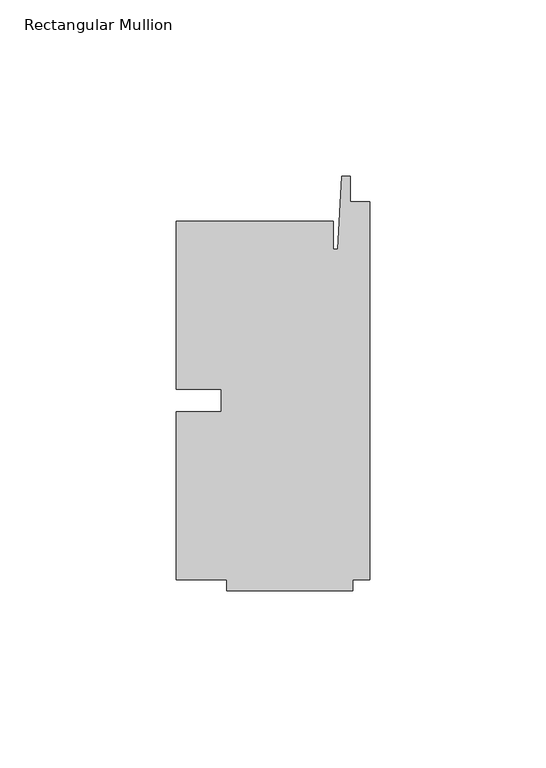
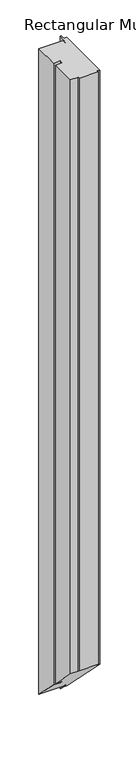
"""IFC4 building model written with IfcOpenShell, lengths in millimetres: member geometry, Rectangular Mullion."""

import ifcopenshell
import ifcopenshell.guid

model = None  # the IFC model being written
_history = None  # IfcOwnerHistory: only IFC2X3 demands one
_inside = {}  # id of a spatial element -> (the spatial element, [elements in it])
_under = {}  # id of a project, library or spatial element -> (it, [spatial elements below it])
_declared = {}  # id of a project -> (the project, [libraries it declares])
_typed = {}  # id of a type object -> (the type object, [elements of that type])
_made_of = {}  # id of a material, layer set ... -> (it, [elements and type objects made of it])


def new_model(schema):
    """Start an empty IFC model of exactly this schema.

    Asked for "IFC4X3", IfcOpenShell would pick the latest addendum, in which some entities
    have other attributes; the version numbers below select the first issue.
    IFC2X3 requires an IfcOwnerHistory on every rooted entity: one is made here for all.
    """
    global model, _history
    if schema == "IFC4X3":
        model = ifcopenshell.file(schema_version=(4, 3, 0, 0))
    else:
        model = ifcopenshell.file(schema=schema)
    _inside.clear()
    _under.clear()
    _declared.clear()
    _typed.clear()
    _made_of.clear()
    _history = None
    if model.schema == "IFC2X3":
        org = make("IfcOrganization", Name="unknown")
        user = make(
            "IfcPersonAndOrganization",
            ThePerson=make("IfcPerson", FamilyName="unknown"),
            TheOrganization=org,
        )
        app = make(
            "IfcApplication",
            ApplicationDeveloper=org,
            Version="unknown",
            ApplicationFullName="unknown",
            ApplicationIdentifier="unknown",
        )
        _history = make(
            "IfcOwnerHistory",
            OwningUser=user,
            OwningApplication=app,
            ChangeAction="ADDED",
            CreationDate=0,
        )
    return model


def make(cls, **values):
    """One entity of the class cls with the attributes given. An attribute that is None is left unset."""
    return model.create_entity(
        cls, **{name: value for name, value in values.items() if value is not None}
    )


def rooted(cls, **values):
    """An entity with a GlobalId (a new one), such as an element, a storey or a relation."""
    return make(cls, GlobalId=ifcopenshell.guid.new(), OwnerHistory=_history, **values)


def si_unit(unit_type, name, prefix=None):
    """IfcSIUnit, for example si_unit("LENGTHUNIT", "METRE", prefix="MILLI")."""
    return make("IfcSIUnit", UnitType=unit_type, Prefix=prefix, Name=name)


def assignment(units):
    """IfcUnitAssignment: the units of a project."""
    return None if units is None else make("IfcUnitAssignment", Units=units)


def point(xyz):
    """IfcCartesianPoint."""
    return None if xyz is None else make("IfcCartesianPoint", Coordinates=xyz)


def direction(xyz):
    """IfcDirection."""
    return None if xyz is None else make("IfcDirection", DirectionRatios=xyz)


def frame(location, z_axis=None, x_axis=None):
    """IfcAxis2Placement3D, a coordinate frame: its origin and axes. An axis left out is left unset."""
    return make(
        "IfcAxis2Placement3D",
        Location=point(location),
        Axis=direction(z_axis),
        RefDirection=direction(x_axis),
    )


def origin():
    """The frame at (0, 0, 0) with its axes left unset."""
    return frame((0.0, 0.0, 0.0))


def place(relative_to, where):
    """IfcLocalPlacement: puts the frame where relative to a parent placement (None: the world)."""
    return make(
        "IfcLocalPlacement", PlacementRelTo=relative_to, RelativePlacement=where
    )


def context(
    kind, dimensions, precision=None, world=None, true_north=None, identifier=None
):
    """IfcGeometricRepresentationContext, for example the 3D "Model" context."""
    return make(
        "IfcGeometricRepresentationContext",
        ContextIdentifier=identifier,
        ContextType=kind,
        CoordinateSpaceDimension=dimensions,
        Precision=precision,
        WorldCoordinateSystem=world,
        TrueNorth=true_north,
    )


def project(units=None, contexts=None):
    """IfcProject with its units and contexts."""
    return rooted(
        "IfcProject",
        Name="project",
        RepresentationContexts=contexts,
        UnitsInContext=assignment(units),
    )


def spatial(cls, under=None, at=None, **own):
    """A site, building, storey or space (cls), placed at a placement, below another one or the project."""
    s = rooted(cls, ObjectPlacement=at, **own)
    if under is not None:
        _under.setdefault(under.id(), (under, []))[1].append(s)
    return s


def faces_of(points, faces, orient=None, outer=None):
    """IfcFace entities. A face is a list of loops; a loop is a list of indices into points, from 0.

    orient and outer hold one flag for each loop. By default every Orientation is true, the
    first loop of a face is its IfcFaceOuterBound and the others are IfcFaceBound.
    """
    made = []
    for i, loops in enumerate(faces):
        bounds = []
        for j, loop in enumerate(loops):
            is_outer = j == 0 if outer is None else outer[i][j]
            bounds.append(
                make(
                    "IfcFaceOuterBound" if is_outer else "IfcFaceBound",
                    Bound=make("IfcPolyLoop", Polygon=[points[k] for k in loop]),
                    Orientation=True if orient is None else orient[i][j],
                )
            )
        made.append(make("IfcFace", Bounds=bounds))
    return made


def faceted_brep(points, faces, orient=None, outer=None, voids=None):
    """IfcFacetedBrep: a solid bounded by flat faces; with voids (closed shells), ...WithVoids."""
    shared = [point(p) for p in points]
    hull = make("IfcClosedShell", CfsFaces=faces_of(shared, faces, orient, outer))
    if voids is None:
        return make("IfcFacetedBrep", Outer=hull)
    return make(
        "IfcFacetedBrepWithVoids",
        Outer=hull,
        Voids=[
            make(cls, CfsFaces=faces_of(shared, fs, o, b)) for cls, fs, o, b in voids
        ],
    )


def shape(context_of_items, identifier, shape_type, items):
    """IfcShapeRepresentation: the items that make up one representation, for example the "Body"."""
    return make(
        "IfcShapeRepresentation",
        ContextOfItems=context_of_items,
        RepresentationIdentifier=identifier,
        RepresentationType=shape_type,
        Items=items,
    )


def source(mapping_origin, context_of_items, identifier, shape_type, items):
    """IfcRepresentationMap: a shape defined once, which mapped items show again and again."""
    return make(
        "IfcRepresentationMap",
        MappingOrigin=mapping_origin,
        MappedRepresentation=shape(context_of_items, identifier, shape_type, items),
    )


def transform(
    local_origin,
    x_axis=None,
    y_axis=None,
    z_axis=None,
    scale=None,
    scale2=None,
    scale3=None,
    uniform=True,
):
    """IfcCartesianTransformationOperator3D, or its non-uniform kind. x_axis, y_axis, z_axis: its Axis1, 2, 3."""
    if uniform:
        return make(
            "IfcCartesianTransformationOperator3D",
            Axis1=direction(x_axis),
            Axis2=direction(y_axis),
            LocalOrigin=point(local_origin),
            Scale=scale,
            Axis3=direction(z_axis),
        )
    return make(
        "IfcCartesianTransformationOperator3DnonUniform",
        Axis1=direction(x_axis),
        Axis2=direction(y_axis),
        LocalOrigin=point(local_origin),
        Scale=scale,
        Axis3=direction(z_axis),
        Scale2=scale2,
        Scale3=scale3,
    )


def mapped(mapping_source, mapping_target):
    """IfcMappedItem: shows the shape of a source again, moved by a transform."""
    return make(
        "IfcMappedItem", MappingSource=mapping_source, MappingTarget=mapping_target
    )


def made_of(thing, what):
    """Note that an element or type object is made of a material, layer set ...; save() writes the relation."""
    if what is not None:
        _made_of.setdefault(what.id(), (what, []))[1].append(thing)
    return thing


def element(
    cls,
    number,
    at=None,
    inside=None,
    cuts=None,
    type_object=None,
    material=None,
    context=None,
    identifier="Body",
    shape_type=None,
    held_by="IfcProductDefinitionShape",
    body=None,
    shapes=None,
    **own,
):
    """One element of the class cls, such as IfcWall. Its Tag is "e" and its number.

    at: its placement. inside: the storey or other place that contains it. cuts: it is an
    opening in that element (IfcRelVoidsElement). A single representation is given by context,
    identifier, shape_type and body (its items); several are given by shapes. held_by: the class
    of the entity that holds the representations. save() writes the other relations.
    """
    e = rooted(cls, Tag="e%d" % number, ObjectPlacement=at, **own)
    if body is not None:
        shapes = [shape(context, identifier, shape_type, body)]
    if shapes is not None:
        e.Representation = make(held_by, Representations=shapes)
    if inside is not None:
        _inside.setdefault(inside.id(), (inside, []))[1].append(e)
    if cuts is not None:
        rooted(
            "IfcRelVoidsElement", RelatingBuildingElement=cuts, RelatedOpeningElement=e
        )
    if type_object is not None:
        _typed.setdefault(type_object.id(), (type_object, []))[1].append(e)
    return made_of(e, material)


def aggregate(whole, parts):
    """IfcRelAggregates: a whole, such as a stair, and the parts it consists of."""
    return rooted("IfcRelAggregates", RelatingObject=whole, RelatedObjects=parts)


def save(model, path):
    """Write the relations noted so far, then the file.

    IfcRelAggregates (storeys below a building ...), IfcRelContainedInSpatialStructure (elements
    in a storey), IfcRelDefinesByType, IfcRelAssociatesMaterial and IfcRelDeclares: one each for
    every whole, place, type object, material and project.
    """
    for whole, parts in _under.values():
        aggregate(whole, parts)
    for where, things in _inside.values():
        rooted(
            "IfcRelContainedInSpatialStructure",
            RelatedElements=things,
            RelatingStructure=where,
        )
    for kind, things in _typed.values():
        rooted("IfcRelDefinesByType", RelatedObjects=things, RelatingType=kind)
    for what, things in _made_of.values():
        rooted("IfcRelAssociatesMaterial", RelatedObjects=things, RelatingMaterial=what)
    for by, libraries in _declared.values():
        rooted("IfcRelDeclares", RelatingContext=by, RelatedDefinitions=libraries)
    model.write(path)


def rectangular_mullion_61b2fbe8(model_context):
    return source(origin(), model_context, "Body", "Brep", [
        faceted_brep([(-42.06875, -3.175, 0.0), (-54.76875, -3.175, 0.0), (-54.76875, -50.8, 0.0), (-40.48125, -50.8, 0.0), (-40.48125, -53.975, 0.0), (-4.7625, -53.975, 0.0), (-4.7625, -50.8, 0.0), (0.0, -50.8, 0.0), (0.0, 56.35625, 0.0), (-5.55625, 56.35625, 0.0), (-5.55625, 63.5, 0.0), (-7.9375, 63.5, 0.0), (-9.0190655, 42.8625, 0.0), (-10.31875, 42.8625, 0.0), (-10.31875, 50.8, 0.0), (-54.76875, 50.8, 0.0), (-54.76875, 3.175, 0.0), (-42.06875, 3.175, 0.0), (-42.06875, -3.175, -1216.025), (-54.76875, -3.175, -1216.025), (-54.76875, -50.8, -1168.4), (-40.48125, -50.8, -1168.4), (-40.48125, -53.975, -1165.225), (-4.7625, -53.975, -1165.225), (-4.7625, -50.8, -1168.4), (0.0, -50.8, -1168.4), (0.0, 56.35625, -1275.55625), (-5.55625, 56.35625, -1275.55625), (-5.55625, 63.5, -1282.7), (-7.9375, 63.5, -1282.7), (-9.0190655, 42.8625, -1262.0625), (-10.31875, 42.8625, -1262.0625), (-10.31875, 50.8, -1270.0), (-54.76875, 50.8, -1270.0), (-54.76875, 3.175, -1222.375), (-42.06875, 3.175, -1222.375)], [[[0, 1, 2, 3, 4, 5, 6, 7, 8, 9, 10, 11, 12, 13, 14, 15, 16, 17]], [[1, 0, 18, 19]], [[2, 1, 19, 20]], [[3, 2, 20, 21]], [[4, 3, 21, 22]], [[5, 4, 22, 23]], [[6, 5, 23, 24]], [[7, 6, 24, 25]], [[8, 7, 25, 26]], [[9, 8, 26, 27]], [[10, 9, 27, 28]], [[11, 10, 28, 29]], [[12, 11, 29, 30]], [[13, 12, 30, 31]], [[14, 13, 31, 32]], [[15, 14, 32, 33]], [[16, 15, 33, 34]], [[17, 16, 34, 35]], [[0, 17, 35, 18]], [[18, 35, 34, 33, 32, 31, 30, 29, 28, 27, 26, 25, 24, 23, 22, 21, 20, 19]]]),
    ])


if __name__ == "__main__":
    model = new_model("IFC4")
    model_context = context("Model", 3, world=origin())
    ifc_project = project(units=[si_unit("LENGTHUNIT", "METRE", prefix="MILLI")], contexts=[model_context])
    site = spatial("IfcSite", under=ifc_project)
    building = spatial("IfcBuilding", under=site)
    placement = place(None, origin())
    rectangular_mullion_shape = rectangular_mullion_61b2fbe8(model_context)
    element("IfcMember", 1, ObjectType="Rectangular Mullion", at=placement, inside=building, context=model_context, shape_type="MappedRepresentation", body=[
        mapped(rectangular_mullion_shape, transform((0.0, 0.0, 0.0), x_axis=(1.0, 0.0, 0.0), y_axis=(0.0, 1.0, 0.0), z_axis=(0.0, 0.0, 1.0))),
    ])
    save(model, "model.ifc")
